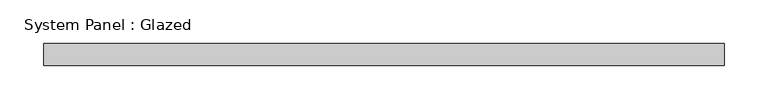
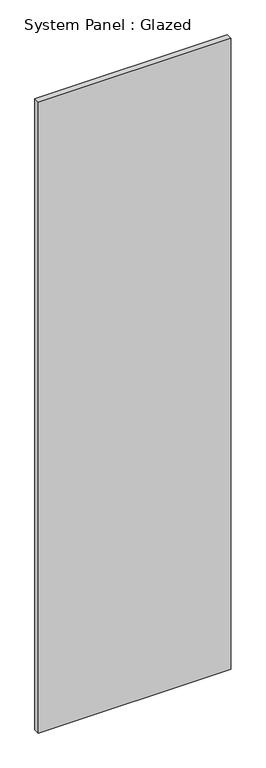
"""IFC4 building model written with IfcOpenShell, lengths in millimetres: plate geometry, System Panel : Glazed."""

from ifc_helpers import new_model, si_unit, origin, origin_with_axes, place, context, project, spatial, polyline, outline, extrude, source, transform, mapped, element, save


def system_panel_glazed_c63677ea(model_context):
    return source(origin(), model_context, "Body", "SweptSolid", [
        extrude(outline(polyline([(387.4797516, -49.5), (-387.4797516, -49.5), (-387.4797516, -24.5), (387.4797516, -24.5), (387.4797516, -49.5)])), origin_with_axes(), (0.0, 0.0, 1.0), 2690.0),
    ])


if __name__ == "__main__":
    model = new_model("IFC4")
    model_context = context("Model", 3, world=origin())
    ifc_project = project(units=[si_unit("LENGTHUNIT", "METRE", prefix="MILLI")], contexts=[model_context])
    site = spatial("IfcSite", under=ifc_project)
    building = spatial("IfcBuilding", under=site)
    placement = place(None, origin())
    system_panel_glazed_shape = system_panel_glazed_c63677ea(model_context)
    element("IfcPlate", 1, ObjectType="System Panel : Glazed", at=placement, inside=building, context=model_context, shape_type="MappedRepresentation", body=[
        mapped(system_panel_glazed_shape, transform((0.0, 0.0, 0.0), x_axis=(1.0, 0.0, 0.0), y_axis=(0.0, 1.0, 0.0), z_axis=(0.0, 0.0, 1.0))),
    ])
    save(model, "model.ifc")
